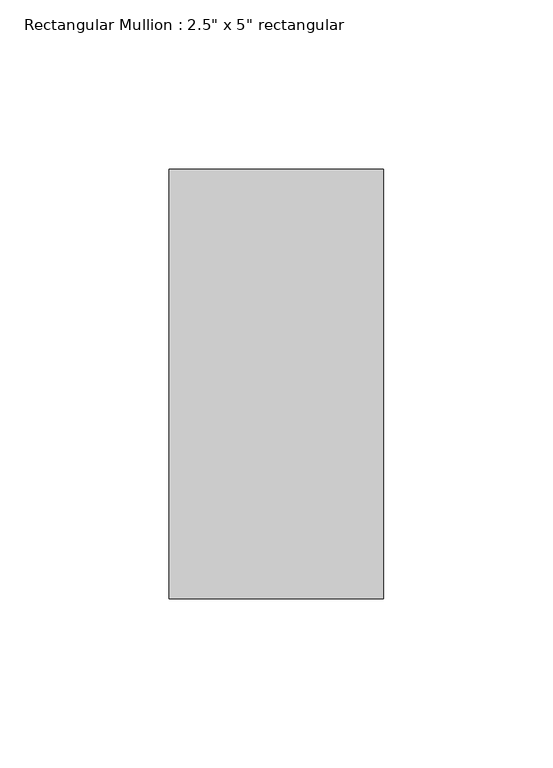
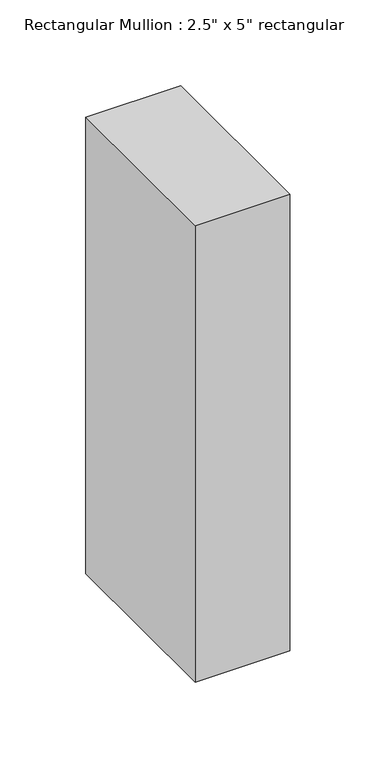
"""IFC4 building model written with IfcOpenShell, lengths in millimetres: member geometry."""

from ifc_helpers import new_model, si_unit, frame, origin, place, context, project, spatial, polyline, outline, extrude, source, transform, mapped, element, save


def member_76733486(model_context):
    return source(origin(), model_context, "Body", "SweptSolid", [
        extrude(outline(polyline([(31.75, 63.5), (31.75, -63.5), (-31.75, -63.5), (-31.75, 63.5), (31.75, 63.5)])), frame((0.0, 0.0, -323.85), z_axis=(0.0, 0.0, 1.0), x_axis=(1.0, 0.0, 0.0)), (0.0, 0.0, 1.0), 323.85),
    ])


if __name__ == "__main__":
    model = new_model("IFC4")
    model_context = context("Model", 3, world=origin())
    ifc_project = project(units=[si_unit("LENGTHUNIT", "METRE", prefix="MILLI")], contexts=[model_context])
    site = spatial("IfcSite", under=ifc_project)
    building = spatial("IfcBuilding", under=site)
    placement = place(None, origin())
    member_shape = member_76733486(model_context)
    element("IfcMember", 1, ObjectType="Rectangular Mullion : 2.5\" x 5\" rectangular", at=placement, inside=building, context=model_context, shape_type="MappedRepresentation", body=[
        mapped(member_shape, transform((0.0, 0.0, 0.0), x_axis=(1.0, 0.0, 0.0), y_axis=(0.0, 1.0, 0.0), z_axis=(0.0, 0.0, 1.0))),
    ])
    save(model, "model.ifc")
